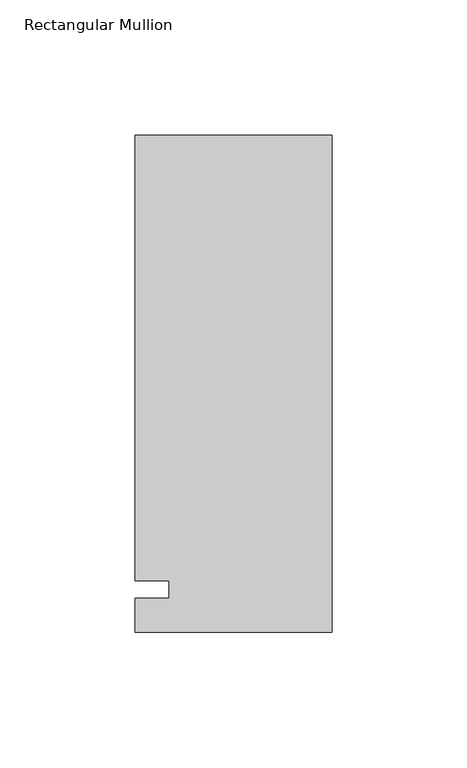
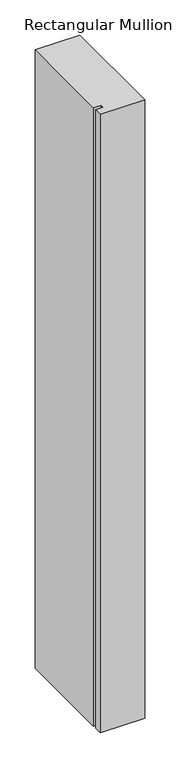
"""IFC4 building model written with IfcOpenShell, lengths in millimetres: member geometry, Rectangular Mullion."""

from ifc_helpers import new_model, si_unit, frame, origin, place, context, project, spatial, polyline, outline, extrude, source, transform, mapped, element, save


def rectangular_mullion_3c35f371(model_context):
    return source(origin(), model_context, "Body", "SweptSolid", [
        extrude(outline(polyline([(-73.025, 168.275), (0.0, 168.275), (0.0, -15.875), (-73.025, -15.875), (-73.025, -3.175), (-60.3232296, -3.175), (-60.3232296, 3.175), (-73.025, 3.175), (-73.025, 168.275)])), frame((0.0, 0.0, -1071.9905973), z_axis=(0.0, 0.0, 1.0), x_axis=(1.0, 0.0, 0.0)), (0.0, 0.0, 1.0), 1071.9905973),
    ])


if __name__ == "__main__":
    model = new_model("IFC4")
    model_context = context("Model", 3, world=origin())
    ifc_project = project(units=[si_unit("LENGTHUNIT", "METRE", prefix="MILLI")], contexts=[model_context])
    site = spatial("IfcSite", under=ifc_project)
    building = spatial("IfcBuilding", under=site)
    placement = place(None, origin())
    rectangular_mullion_shape = rectangular_mullion_3c35f371(model_context)
    element("IfcMember", 1, ObjectType="Rectangular Mullion", at=placement, inside=building, context=model_context, shape_type="MappedRepresentation", body=[
        mapped(rectangular_mullion_shape, transform((0.0, 0.0, 0.0), x_axis=(1.0, 0.0, 0.0), y_axis=(0.0, 1.0, 0.0), z_axis=(0.0, 0.0, 1.0))),
    ])
    save(model, "model.ifc")
